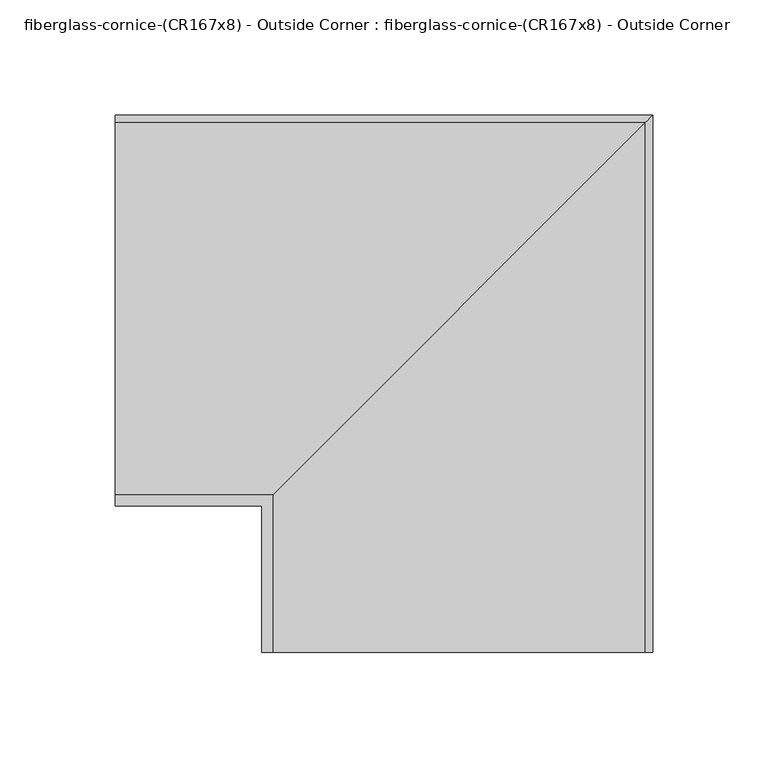
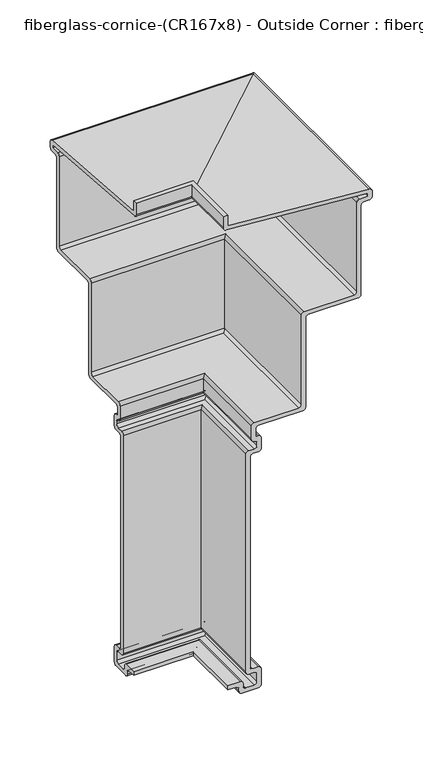
"""IFC4 building model written with IfcOpenShell, lengths in millimetres: furniture geometry, fiberglass-cornice-(CR167x8) - Outside Corner : fiberglass-cornice-(CR167x8) - Outside Corner."""

from ifc_helpers import new_model, si_unit, frame, origin, place, context, project, spatial, polyline, circle_curve, ellipse_curve, source, transform, mapped, element, save
from ifc_brep_helpers import plane_surface, cylinder_surface, revolved_surface, advanced_brep


def fiberglass_cornice_cr167x8_outside_corner_fiberglass_cornice_2ab6add9(model_context):
    return source(origin(), model_context, "Body", "AdvancedBrep", [
        advanced_brep(
        [(-196.9488213, 268.2773355, 305.0420092), (-196.9488213, 271.4625, 301.8568447), (-196.9488213, 271.4625, 295.2749904), (-196.9488213, 268.2875, 292.0999904), (-196.9488213, 261.9375, 292.0999904), (-196.9488213, 258.7625, 288.9249904), (-196.9488213, 258.7625, 180.9749904), (-196.9488213, 255.5875, 177.7999904), (-196.9488213, 198.4375, 177.7999904), (-196.9488213, 195.2625, 174.6249904), (-196.9488213, 195.2625, 66.6749904), (-196.9488213, 192.0875, 63.4999904), (-196.9488213, 141.2875, 63.4999904), (-196.9488213, 138.1125, 60.3249904), (-196.9488213, 138.1125, 50.7999904), (-196.9488213, 141.2875, 50.7999904), (-196.9488213, 144.4625, 47.6249904), (-196.9488213, 144.4625, 34.9249904), (-196.9488213, 141.2875, 31.7499904), (-196.9488213, 134.9375, 31.7499904), (-196.9488213, 131.7625, 28.5749904), (-196.9488213, 131.7625, -225.6790096), (-196.9488213, 134.9375, -228.8540096), (-196.9488213, 141.2875, -228.8540096), (-196.9488213, 144.4625, -232.0290096), (-196.9488213, 144.4625, -250.8250096), (-196.9488213, 141.2875, -254.0000096), (-196.9488213, 122.2375, -254.0000096), (-196.9488213, 119.0625, -250.8250096), (-196.9488213, 119.0625, -247.6500096), (-196.9488213, 115.8875, -244.4750096), (-196.9488213, 106.3625, -244.4750096), (-196.9488213, 106.3625, -239.7125096), (-196.9488213, 120.65, -239.7125096), (-196.9488213, 123.825, -242.8875096), (-196.9488213, 123.825, -246.0625096), (-196.9488213, 127.0, -249.2375096), (-196.9488213, 136.525, -249.2375096), (-196.9488213, 139.7, -246.0625096), (-196.9488213, 139.7, -236.5375096), (-196.9488213, 136.779, -233.6165096), (-196.9488213, 130.175, -233.6165096), (-196.9488213, 127.0, -230.4415096), (-196.9488213, 127.0, 33.3374904), (-196.9488213, 130.175, 36.5124904), (-196.9488213, 136.525, 36.5124904), (-196.9488213, 139.7, 39.6874904), (-196.9488213, 139.7, 42.8624904), (-196.9488213, 136.525, 46.0374904), (-196.9488213, 133.35, 49.2124904), (-196.9488213, 133.35, 65.0874904), (-196.9488213, 136.525, 68.2624904), (-196.9488213, 187.325, 68.2624904), (-196.9488213, 190.5, 71.4374904), (-196.9488213, 190.5, 179.3874904), (-196.9488213, 193.675, 182.5624904), (-196.9488213, 250.825, 182.5624904), (-196.9488213, 254.0, 185.7374904), (-196.9488213, 254.0, 293.6874904), (-196.9488213, 257.175, 296.8624904), (-196.9488213, 266.7, 296.8624904), (-196.9488213, 266.7, 300.3884709), (-196.9488213, 104.5347045, 312.865723), (-196.9488213, 101.6, 315.8004274), (-196.9488213, 101.6, 330.1999904), (-196.9488213, 106.3625, 330.1999904), (-196.9488213, 106.3625, 317.4999904), (33.3277329, 38.0007813, 305.0420092), (-128.5871026, 38.0007813, 317.4999904), (-128.5871026, 38.0007813, 330.1999904), (-133.3496026, 38.0007813, 330.1999904), (-133.3496026, 38.0007813, 315.8004274), (-130.4148981, 38.0007813, 312.865723), (31.7503974, 38.0007813, 300.3884709), (31.7503974, 38.0007813, 296.8624904), (22.2253974, 38.0007813, 296.8624904), (19.0503974, 38.0007813, 293.6874904), (19.0503974, 38.0007813, 185.7374904), (15.8753974, 38.0007813, 182.5624904), (-41.2746026, 38.0007813, 182.5624904), (-44.4496026, 38.0007813, 179.3874904), (-44.4496026, 38.0007813, 71.4374904), (-47.6246026, 38.0007813, 68.2624904), (-98.4246026, 38.0007813, 68.2624904), (-101.5996026, 38.0007813, 65.0874904), (-101.5996026, 38.0007813, 49.2124904), (-98.4246026, 38.0007813, 46.0374904), (-95.2496026, 38.0007813, 42.8624904), (-95.2496026, 38.0007813, 39.6874904), (-98.4246026, 38.0007813, 36.5124904), (-104.7746026, 38.0007813, 36.5124904), (-107.9496026, 38.0007813, 33.3374904), (-107.9496026, 38.0007813, -230.4415096), (-104.7746026, 38.0007813, -233.6165096), (-98.1706026, 38.0007813, -233.6165096), (-95.2496026, 38.0007813, -236.5375096), (-95.2496026, 38.0007813, -246.0625096), (-98.4246026, 38.0007813, -249.2375096), (-107.9496026, 38.0007813, -249.2375096), (-111.1246026, 38.0007813, -246.0625096), (-111.1246026, 38.0007813, -242.8875096), (-114.2996026, 38.0007813, -239.7125096), (-128.5871026, 38.0007813, -239.7125096), (-128.5871026, 38.0007813, -244.4750096), (-119.0621026, 38.0007813, -244.4750096), (-115.8871026, 38.0007813, -247.6500096), (-115.8871026, 38.0007813, -250.8250096), (-112.7121026, 38.0007813, -254.0000096), (-93.6621026, 38.0007813, -254.0000096), (-90.4871026, 38.0007813, -250.8250096), (-90.4871026, 38.0007813, -232.0290096), (-93.6621026, 38.0007813, -228.8540096), (-100.0121026, 38.0007813, -228.8540096), (-103.1871026, 38.0007813, -225.6790096), (-103.1871026, 38.0007813, 28.5749904), (-100.0121026, 38.0007813, 31.7499904), (-93.6621026, 38.0007813, 31.7499904), (-90.4871026, 38.0007813, 34.9249904), (-90.4871026, 38.0007813, 47.6249904), (-93.6621026, 38.0007813, 50.7999904), (-96.8371026, 38.0007813, 50.7999904), (-96.8371026, 38.0007813, 60.3249904), (-93.6621026, 38.0007813, 63.4999904), (-42.8621026, 38.0007813, 63.4999904), (-39.6871026, 38.0007813, 66.6749904), (-39.6871026, 38.0007813, 174.6249904), (-36.5121026, 38.0007813, 177.7999904), (20.6378974, 38.0007813, 177.7999904), (23.8128974, 38.0007813, 180.9749904), (23.8128974, 38.0007813, 288.9249904), (26.9878974, 38.0007813, 292.0999904), (33.3378974, 38.0007813, 292.0999904), (36.5128974, 38.0007813, 295.2749904), (36.5128974, 38.0007813, 301.8568447), (33.3277329, 268.2773355, 305.0420092), (36.5128974, 271.4625, 301.8568447), (36.5128974, 271.4625, 295.2749904), (33.3378974, 268.2875, 292.0999904), (26.9878974, 261.9375, 292.0999904), (23.8128974, 258.7625, 288.9249904), (23.8128974, 258.7625, 180.9749904), (20.6378974, 255.5875, 177.7999904), (-36.5121026, 198.4375, 177.7999904), (-39.6871026, 195.2625, 174.6249904), (-39.6871026, 195.2625, 66.6749904), (-42.8621026, 192.0875, 63.4999904), (-93.6621026, 141.2875, 63.4999904), (-96.8371026, 138.1125, 60.3249904), (-96.8371026, 138.1125, 50.7999904), (-93.6621026, 141.2875, 50.7999904), (-90.4871026, 144.4625, 47.6249904), (-90.4871026, 144.4625, 34.9249904), (-93.6621026, 141.2875, 31.7499904), (-100.0121026, 134.9375, 31.7499904), (-103.1871026, 131.7625, 28.5749904), (-103.1871026, 131.7625, -225.6790096), (-100.0121026, 134.9375, -228.8540096), (-93.6621026, 141.2875, -228.8540096), (-90.4871026, 144.4625, -232.0290096), (-90.4871026, 144.4625, -250.8250096), (-93.6621026, 141.2875, -254.0000096), (-112.7121026, 122.2375, -254.0000096), (-115.8871026, 119.0625, -250.8250096), (-115.8871026, 119.0625, -247.6500096), (-119.0621026, 115.8875, -244.4750096), (-128.5871026, 106.3625, -244.4750096), (-128.5871026, 106.3625, -239.7125096), (-114.2996026, 120.65, -239.7125096), (-111.1246026, 123.825, -242.8875096), (-111.1246026, 123.825, -246.0625096), (-107.9496026, 127.0, -249.2375096), (-98.4246026, 136.525, -249.2375096), (-95.2496026, 139.7, -246.0625096), (-95.2496026, 139.7, -236.5375096), (-98.1706026, 136.779, -233.6165096), (-104.7746026, 130.175, -233.6165096), (-107.9496026, 127.0, -230.4415096), (-107.9496026, 127.0, 33.3374904), (-104.7746026, 130.175, 36.5124904), (-98.4246026, 136.525, 36.5124904), (-95.2496026, 139.7, 39.6874904), (-95.2496026, 139.7, 42.8624904), (-98.4246026, 136.525, 46.0374904), (-101.5996026, 133.35, 49.2124904), (-101.5996026, 133.35, 65.0874904), (-98.4246026, 136.525, 68.2624904), (-47.6246026, 187.325, 68.2624904), (-44.4496026, 190.5, 71.4374904), (-44.4496026, 190.5, 179.3874904), (-41.2746026, 193.675, 182.5624904), (15.8753974, 250.825, 182.5624904), (19.0503974, 254.0, 185.7374904), (19.0503974, 254.0, 293.6874904), (22.2253974, 257.175, 296.8624904), (31.7503974, 266.7, 296.8624904), (31.7503974, 266.7, 300.3884709), (-130.4148981, 104.5347045, 312.865723), (-133.3496026, 101.6, 315.8004274), (-133.3496026, 101.6, 330.1999904), (-128.5871026, 106.3625, 330.1999904), (-128.5871026, 106.3625, 317.4999904)],
        [
            (0, 1, circle_curve(frame((-196.9488213, 268.2773355, 301.8568447), z_axis=(-1.0, 0.0, 0.0), x_axis=(0.0, 1.0, 0.0)), 3.1851645)),
            (1, 2),
            (2, 3, circle_curve(frame((-196.9488213, 268.2875, 295.2749904), z_axis=(-1.0, 0.0, 0.0), x_axis=(0.0, 1.0, 0.0)), 3.175)),
            (3, 4),
            (4, 5, circle_curve(frame((-196.9488213, 261.9375, 288.9249904), z_axis=(1.0, 0.0, 0.0), x_axis=(0.0, 1.0, 0.0)), 3.175)),
            (5, 6),
            (6, 7, circle_curve(frame((-196.9488213, 255.5875, 180.9749904), z_axis=(-1.0, 0.0, 0.0), x_axis=(0.0, 1.0, 0.0)), 3.175)),
            (7, 8),
            (8, 9, circle_curve(frame((-196.9488213, 198.4375, 174.6249904), z_axis=(1.0, 0.0, 0.0), x_axis=(0.0, 1.0, 0.0)), 3.175)),
            (9, 10),
            (10, 11, circle_curve(frame((-196.9488213, 192.0875, 66.6749904), z_axis=(-1.0, 0.0, 0.0), x_axis=(0.0, 1.0, 0.0)), 3.175)),
            (11, 12),
            (12, 13, circle_curve(frame((-196.9488213, 141.2875, 60.3249904), z_axis=(1.0, 0.0, 0.0), x_axis=(0.0, 1.0, 0.0)), 3.175)),
            (13, 14),
            (14, 15),
            (15, 16, circle_curve(frame((-196.9488213, 141.2875, 47.6249904), z_axis=(-1.0, 0.0, 0.0), x_axis=(0.0, 1.0, 0.0)), 3.175)),
            (16, 17),
            (17, 18, circle_curve(frame((-196.9488213, 141.2875, 34.9249904), z_axis=(-1.0, 0.0, 0.0), x_axis=(0.0, 1.0, 0.0)), 3.175)),
            (18, 19),
            (19, 20, circle_curve(frame((-196.9488213, 134.9375, 28.5749904), z_axis=(1.0, 0.0, 0.0), x_axis=(0.0, 1.0, 0.0)), 3.175)),
            (20, 21),
            (21, 22, circle_curve(frame((-196.9488213, 134.9375, -225.6790096), z_axis=(1.0, 0.0, 0.0), x_axis=(0.0, 1.0, 0.0)), 3.175)),
            (22, 23),
            (23, 24, circle_curve(frame((-196.9488213, 141.2875, -232.0290096), z_axis=(-1.0, 0.0, 0.0), x_axis=(0.0, 1.0, 0.0)), 3.175)),
            (24, 25),
            (25, 26, circle_curve(frame((-196.9488213, 141.2875, -250.8250096), z_axis=(-1.0, 0.0, 0.0), x_axis=(0.0, 1.0, 0.0)), 3.175)),
            (26, 27),
            (27, 28, circle_curve(frame((-196.9488213, 122.2375, -250.8250096), z_axis=(-1.0, 0.0, 0.0), x_axis=(0.0, 1.0, 0.0)), 3.175)),
            (28, 29),
            (29, 30, circle_curve(frame((-196.9488213, 115.8875, -247.6500096), z_axis=(1.0, 0.0, 0.0), x_axis=(0.0, 1.0, 0.0)), 3.175)),
            (30, 31),
            (31, 32),
            (32, 33),
            (33, 34, circle_curve(frame((-196.9488213, 120.65, -242.8875096), z_axis=(-1.0, 0.0, 0.0), x_axis=(0.0, 1.0, 0.0)), 3.175)),
            (34, 35),
            (35, 36, circle_curve(frame((-196.9488213, 127.0, -246.0625096), z_axis=(1.0, 0.0, 0.0), x_axis=(0.0, 1.0, 0.0)), 3.175)),
            (36, 37),
            (37, 38, circle_curve(frame((-196.9488213, 136.525, -246.0625096), z_axis=(1.0, 0.0, 0.0), x_axis=(0.0, 1.0, 0.0)), 3.175)),
            (38, 39),
            (39, 40, circle_curve(frame((-196.9488213, 136.779, -236.5375096), z_axis=(1.0, 0.0, 0.0), x_axis=(0.0, 1.0, 0.0)), 2.921)),
            (40, 41),
            (41, 42, circle_curve(frame((-196.9488213, 130.175, -230.4415096), z_axis=(-1.0, 0.0, 0.0), x_axis=(0.0, 1.0, 0.0)), 3.175)),
            (42, 43),
            (43, 44, circle_curve(frame((-196.9488213, 130.175, 33.3374904), z_axis=(-1.0, 0.0, 0.0), x_axis=(0.0, 1.0, 0.0)), 3.175)),
            (44, 45),
            (45, 46, circle_curve(frame((-196.9488213, 136.525, 39.6874904), z_axis=(1.0, 0.0, 0.0), x_axis=(0.0, 1.0, 0.0)), 3.175)),
            (46, 47),
            (47, 48, circle_curve(frame((-196.9488213, 136.525, 42.8624904), z_axis=(1.0, 0.0, 0.0), x_axis=(0.0, 1.0, 0.0)), 3.175)),
            (48, 49, circle_curve(frame((-196.9488213, 136.525, 49.2124904), z_axis=(-1.0, 0.0, 0.0), x_axis=(0.0, 1.0, 0.0)), 3.175)),
            (49, 50),
            (50, 51, circle_curve(frame((-196.9488213, 136.525, 65.0874904), z_axis=(-1.0, 0.0, 0.0), x_axis=(0.0, 1.0, 0.0)), 3.175)),
            (51, 52),
            (52, 53, circle_curve(frame((-196.9488213, 187.325, 71.4374904), z_axis=(1.0, 0.0, 0.0), x_axis=(0.0, 1.0, 0.0)), 3.175)),
            (53, 54),
            (54, 55, circle_curve(frame((-196.9488213, 193.675, 179.3874904), z_axis=(-1.0, 0.0, 0.0), x_axis=(0.0, 1.0, 0.0)), 3.175)),
            (55, 56),
            (56, 57, circle_curve(frame((-196.9488213, 250.825, 185.7374904), z_axis=(1.0, 0.0, 0.0), x_axis=(0.0, 1.0, 0.0)), 3.175)),
            (57, 58),
            (58, 59, circle_curve(frame((-196.9488213, 257.175, 293.6874904), z_axis=(-1.0, 0.0, 0.0), x_axis=(0.0, 1.0, 0.0)), 3.175)),
            (59, 60),
            (60, 61),
            (61, 62),
            (62, 63, circle_curve(frame((-196.9488213, 104.5347045, 315.8004274), z_axis=(-1.0, 0.0, 0.0), x_axis=(0.0, 1.0, 0.0)), 2.9347045)),
            (63, 64),
            (64, 65),
            (65, 66),
            (66, 0),
            (67, 68),
            (68, 69),
            (69, 70),
            (70, 71),
            (71, 72, circle_curve(frame((-130.4148981, 38.0007813, 315.8004274), z_axis=(0.0, -1.0, 0.0), x_axis=(1.0, 0.0, 0.0)), 2.9347045)),
            (72, 73),
            (73, 74),
            (74, 75),
            (75, 76, circle_curve(frame((22.2253974, 38.0007813, 293.6874904), z_axis=(0.0, -1.0, 0.0), x_axis=(1.0, 0.0, 0.0)), 3.175)),
            (76, 77),
            (77, 78, circle_curve(frame((15.8753974, 38.0007813, 185.7374904), z_axis=(0.0, 1.0, 0.0), x_axis=(1.0, 0.0, 0.0)), 3.175)),
            (78, 79),
            (79, 80, circle_curve(frame((-41.2746026, 38.0007813, 179.3874904), z_axis=(0.0, -1.0, 0.0), x_axis=(1.0, 0.0, 0.0)), 3.175)),
            (80, 81),
            (81, 82, circle_curve(frame((-47.6246026, 38.0007813, 71.4374904), z_axis=(0.0, 1.0, 0.0), x_axis=(1.0, 0.0, 0.0)), 3.175)),
            (82, 83),
            (83, 84, circle_curve(frame((-98.4246026, 38.0007813, 65.0874904), z_axis=(0.0, -1.0, 0.0), x_axis=(1.0, 0.0, 0.0)), 3.175)),
            (84, 85),
            (85, 86, circle_curve(frame((-98.4246026, 38.0007813, 49.2124904), z_axis=(0.0, -1.0, 0.0), x_axis=(1.0, 0.0, 0.0)), 3.175)),
            (86, 87, circle_curve(frame((-98.4246026, 38.0007813, 42.8624904), z_axis=(0.0, 1.0, 0.0), x_axis=(1.0, 0.0, 0.0)), 3.175)),
            (87, 88),
            (88, 89, circle_curve(frame((-98.4246026, 38.0007813, 39.6874904), z_axis=(0.0, 1.0, 0.0), x_axis=(1.0, 0.0, 0.0)), 3.175)),
            (89, 90),
            (90, 91, circle_curve(frame((-104.7746026, 38.0007813, 33.3374904), z_axis=(0.0, -1.0, 0.0), x_axis=(1.0, 0.0, 0.0)), 3.175)),
            (91, 92),
            (92, 93, circle_curve(frame((-104.7746026, 38.0007813, -230.4415096), z_axis=(0.0, -1.0, 0.0), x_axis=(1.0, 0.0, 0.0)), 3.175)),
            (93, 94),
            (94, 95, circle_curve(frame((-98.1706026, 38.0007813, -236.5375096), z_axis=(0.0, 1.0, 0.0), x_axis=(1.0, 0.0, 0.0)), 2.921)),
            (95, 96),
            (96, 97, circle_curve(frame((-98.4246026, 38.0007813, -246.0625096), z_axis=(0.0, 1.0, 0.0), x_axis=(1.0, 0.0, 0.0)), 3.175)),
            (97, 98),
            (98, 99, circle_curve(frame((-107.9496026, 38.0007813, -246.0625096), z_axis=(0.0, 1.0, 0.0), x_axis=(1.0, 0.0, 0.0)), 3.175)),
            (99, 100),
            (100, 101, circle_curve(frame((-114.2996026, 38.0007813, -242.8875096), z_axis=(0.0, -1.0, 0.0), x_axis=(1.0, 0.0, 0.0)), 3.175)),
            (101, 102),
            (102, 103),
            (103, 104),
            (104, 105, circle_curve(frame((-119.0621026, 38.0007813, -247.6500096), z_axis=(0.0, 1.0, 0.0), x_axis=(1.0, 0.0, 0.0)), 3.175)),
            (105, 106),
            (106, 107, circle_curve(frame((-112.7121026, 38.0007813, -250.8250096), z_axis=(0.0, -1.0, 0.0), x_axis=(1.0, 0.0, 0.0)), 3.175)),
            (107, 108),
            (108, 109, circle_curve(frame((-93.6621026, 38.0007813, -250.8250096), z_axis=(0.0, -1.0, 0.0), x_axis=(1.0, 0.0, 0.0)), 3.175)),
            (109, 110),
            (110, 111, circle_curve(frame((-93.6621026, 38.0007813, -232.0290096), z_axis=(0.0, -1.0, 0.0), x_axis=(1.0, 0.0, 0.0)), 3.175)),
            (111, 112),
            (112, 113, circle_curve(frame((-100.0121026, 38.0007813, -225.6790096), z_axis=(0.0, 1.0, 0.0), x_axis=(1.0, 0.0, 0.0)), 3.175)),
            (113, 114),
            (114, 115, circle_curve(frame((-100.0121026, 38.0007813, 28.5749904), z_axis=(0.0, 1.0, 0.0), x_axis=(1.0, 0.0, 0.0)), 3.175)),
            (115, 116),
            (116, 117, circle_curve(frame((-93.6621026, 38.0007813, 34.9249904), z_axis=(0.0, -1.0, 0.0), x_axis=(1.0, 0.0, 0.0)), 3.175)),
            (117, 118),
            (118, 119, circle_curve(frame((-93.6621026, 38.0007813, 47.6249904), z_axis=(0.0, -1.0, 0.0), x_axis=(1.0, 0.0, 0.0)), 3.175)),
            (119, 120),
            (120, 121),
            (121, 122, circle_curve(frame((-93.6621026, 38.0007813, 60.3249904), z_axis=(0.0, 1.0, 0.0), x_axis=(1.0, 0.0, 0.0)), 3.175)),
            (122, 123),
            (123, 124, circle_curve(frame((-42.8621026, 38.0007813, 66.6749904), z_axis=(0.0, -1.0, 0.0), x_axis=(1.0, 0.0, 0.0)), 3.175)),
            (124, 125),
            (125, 126, circle_curve(frame((-36.5121026, 38.0007813, 174.6249904), z_axis=(0.0, 1.0, 0.0), x_axis=(1.0, 0.0, 0.0)), 3.175)),
            (126, 127),
            (127, 128, circle_curve(frame((20.6378974, 38.0007813, 180.9749904), z_axis=(0.0, -1.0, 0.0), x_axis=(1.0, 0.0, 0.0)), 3.175)),
            (128, 129),
            (129, 130, circle_curve(frame((26.9878974, 38.0007813, 288.9249904), z_axis=(0.0, 1.0, 0.0), x_axis=(1.0, 0.0, 0.0)), 3.175)),
            (130, 131),
            (131, 132, circle_curve(frame((33.3378974, 38.0007813, 295.2749904), z_axis=(0.0, -1.0, 0.0), x_axis=(1.0, 0.0, 0.0)), 3.175)),
            (132, 133),
            (133, 67, circle_curve(frame((33.3277329, 38.0007813, 301.8568447), z_axis=(0.0, -1.0, 0.0), x_axis=(1.0, 0.0, 0.0)), 3.1851645)),
            (0, 134),
            (134, 135, ellipse_curve(frame((33.3277329, 268.2773355, 301.8568447), z_axis=(-0.7071067811865563, 0.7071067811865387, 0.0), x_axis=(-0.7071067811865387, -0.7071067811865565, 0.0)), 4.5045028, 3.1851645)),
            (135, 1),
            (135, 136),
            (136, 2),
            (136, 137, ellipse_curve(frame((33.3378974, 268.2875, 295.2749904), z_axis=(-0.7071067811865563, 0.7071067811865387, 0.0), x_axis=(-0.7071067811865387, -0.7071067811865565, 0.0)), 4.4901281, 3.175)),
            (137, 3),
            (137, 131),
            (130, 138),
            (138, 4),
            (138, 139, ellipse_curve(frame((26.9878974, 261.9375, 288.9249904), z_axis=(0.7071067811865563, -0.7071067811865387, 0.0), x_axis=(0.7071067811865387, 0.7071067811865565, 0.0)), 4.4901281, 3.175)),
            (139, 5),
            (139, 140),
            (140, 6),
            (140, 141, ellipse_curve(frame((20.6378974, 255.5875, 180.9749904), z_axis=(-0.7071067811865563, 0.7071067811865387, 0.0), x_axis=(-0.7071067811865387, -0.7071067811865565, 0.0)), 4.4901281, 3.175)),
            (141, 7),
            (141, 127),
            (126, 142),
            (142, 8),
            (142, 143, ellipse_curve(frame((-36.5121026, 198.4375, 174.6249904), z_axis=(0.7071067811865563, -0.7071067811865387, 0.0), x_axis=(0.7071067811865387, 0.7071067811865565, 0.0)), 4.4901281, 3.175)),
            (143, 9),
            (143, 144),
            (144, 10),
            (144, 145, ellipse_curve(frame((-42.8621026, 192.0875, 66.6749904), z_axis=(-0.7071067811865563, 0.7071067811865387, 0.0), x_axis=(-0.7071067811865387, -0.7071067811865565, 0.0)), 4.4901281, 3.175)),
            (145, 11),
            (145, 123),
            (122, 146),
            (146, 12),
            (146, 147, ellipse_curve(frame((-93.6621026, 141.2875, 60.3249904), z_axis=(0.7071067811865563, -0.7071067811865387, 0.0), x_axis=(0.7071067811865387, 0.7071067811865565, 0.0)), 4.4901281, 3.175)),
            (147, 13),
            (147, 148),
            (148, 14),
            (148, 120),
            (119, 149),
            (149, 15),
            (149, 150, ellipse_curve(frame((-93.6621026, 141.2875, 47.6249904), z_axis=(-0.7071067811865563, 0.7071067811865387, 0.0), x_axis=(-0.7071067811865387, -0.7071067811865565, 0.0)), 4.4901281, 3.175)),
            (150, 16),
            (150, 151),
            (151, 17),
            (151, 152, ellipse_curve(frame((-93.6621026, 141.2875, 34.9249904), z_axis=(-0.7071067811865563, 0.7071067811865387, 0.0), x_axis=(-0.7071067811865387, -0.7071067811865565, 0.0)), 4.4901281, 3.175)),
            (152, 18),
            (152, 116),
            (115, 153),
            (153, 19),
            (153, 154, ellipse_curve(frame((-100.0121026, 134.9375, 28.5749904), z_axis=(0.7071067811865563, -0.7071067811865387, 0.0), x_axis=(0.7071067811865387, 0.7071067811865565, 0.0)), 4.4901281, 3.175)),
            (154, 20),
            (154, 155),
            (155, 21),
            (155, 156, ellipse_curve(frame((-100.0121026, 134.9375, -225.6790096), z_axis=(0.7071067811865563, -0.7071067811865387, 0.0), x_axis=(0.7071067811865387, 0.7071067811865565, 0.0)), 4.4901281, 3.175)),
            (156, 22),
            (156, 112),
            (111, 157),
            (157, 23),
            (157, 158, ellipse_curve(frame((-93.6621026, 141.2875, -232.0290096), z_axis=(-0.7071067811865563, 0.7071067811865387, 0.0), x_axis=(-0.7071067811865387, -0.7071067811865565, 0.0)), 4.4901281, 3.175)),
            (158, 24),
            (158, 159),
            (159, 25),
            (159, 160, ellipse_curve(frame((-93.6621026, 141.2875, -250.8250096), z_axis=(-0.7071067811865563, 0.7071067811865387, 0.0), x_axis=(-0.7071067811865387, -0.7071067811865565, 0.0)), 4.4901281, 3.175)),
            (160, 26),
            (160, 108),
            (107, 161),
            (161, 27),
            (161, 162, ellipse_curve(frame((-112.7121026, 122.2375, -250.8250096), z_axis=(-0.7071067811865563, 0.7071067811865387, 0.0), x_axis=(-0.7071067811865387, -0.7071067811865565, 0.0)), 4.4901281, 3.175)),
            (162, 28),
            (162, 163),
            (163, 29),
            (163, 164, ellipse_curve(frame((-119.0621026, 115.8875, -247.6500096), z_axis=(0.7071067811865563, -0.7071067811865387, 0.0), x_axis=(0.7071067811865387, 0.7071067811865565, 0.0)), 4.4901281, 3.175)),
            (164, 30),
            (164, 104),
            (103, 165),
            (165, 31),
            (165, 166),
            (166, 32),
            (166, 102),
            (101, 167),
            (167, 33),
            (167, 168, ellipse_curve(frame((-114.2996026, 120.65, -242.8875096), z_axis=(-0.7071067811865563, 0.7071067811865387, 0.0), x_axis=(-0.7071067811865387, -0.7071067811865565, 0.0)), 4.4901281, 3.175)),
            (168, 34),
            (168, 169),
            (169, 35),
            (169, 170, ellipse_curve(frame((-107.9496026, 127.0, -246.0625096), z_axis=(0.7071067811865563, -0.7071067811865387, 0.0), x_axis=(0.7071067811865387, 0.7071067811865565, 0.0)), 4.4901281, 3.175)),
            (170, 36),
            (170, 98),
            (97, 171),
            (171, 37),
            (171, 172, ellipse_curve(frame((-98.4246026, 136.525, -246.0625096), z_axis=(0.7071067811865563, -0.7071067811865387, 0.0), x_axis=(0.7071067811865387, 0.7071067811865565, 0.0)), 4.4901281, 3.175)),
            (172, 38),
            (172, 173),
            (173, 39),
            (173, 174, ellipse_curve(frame((-98.1706026, 136.779, -236.5375096), z_axis=(0.7071067811865563, -0.7071067811865387, 0.0), x_axis=(0.7071067811865387, 0.7071067811865565, 0.0)), 4.1309178, 2.921)),
            (174, 40),
            (174, 94),
            (93, 175),
            (175, 41),
            (175, 176, ellipse_curve(frame((-104.7746026, 130.175, -230.4415096), z_axis=(-0.7071067811865563, 0.7071067811865387, 0.0), x_axis=(-0.7071067811865387, -0.7071067811865565, 0.0)), 4.4901281, 3.175)),
            (176, 42),
            (176, 177),
            (177, 43),
            (177, 178, ellipse_curve(frame((-104.7746026, 130.175, 33.3374904), z_axis=(-0.7071067811865563, 0.7071067811865387, 0.0), x_axis=(-0.7071067811865387, -0.7071067811865565, 0.0)), 4.4901281, 3.175)),
            (178, 44),
            (178, 90),
            (89, 179),
            (179, 45),
            (179, 180, ellipse_curve(frame((-98.4246026, 136.525, 39.6874904), z_axis=(0.7071067811865563, -0.7071067811865387, 0.0), x_axis=(0.7071067811865387, 0.7071067811865565, 0.0)), 4.4901281, 3.175)),
            (180, 46),
            (180, 181),
            (181, 47),
            (181, 182, ellipse_curve(frame((-98.4246026, 136.525, 42.8624904), z_axis=(0.7071067811865563, -0.7071067811865387, 0.0), x_axis=(0.7071067811865387, 0.7071067811865565, 0.0)), 4.4901281, 3.175)),
            (182, 48),
            (182, 183, ellipse_curve(frame((-98.4246026, 136.525, 49.2124904), z_axis=(-0.7071067811865563, 0.7071067811865387, 0.0), x_axis=(-0.7071067811865387, -0.7071067811865565, 0.0)), 4.4901281, 3.175)),
            (183, 49),
            (183, 184),
            (184, 50),
            (184, 185, ellipse_curve(frame((-98.4246026, 136.525, 65.0874904), z_axis=(-0.7071067811865563, 0.7071067811865387, 0.0), x_axis=(-0.7071067811865387, -0.7071067811865565, 0.0)), 4.4901281, 3.175)),
            (185, 51),
            (185, 83),
            (82, 186),
            (186, 52),
            (186, 187, ellipse_curve(frame((-47.6246026, 187.325, 71.4374904), z_axis=(0.7071067811865563, -0.7071067811865387, 0.0), x_axis=(0.7071067811865387, 0.7071067811865565, 0.0)), 4.4901281, 3.175)),
            (187, 53),
            (187, 188),
            (188, 54),
            (188, 189, ellipse_curve(frame((-41.2746026, 193.675, 179.3874904), z_axis=(-0.7071067811865563, 0.7071067811865387, 0.0), x_axis=(-0.7071067811865387, -0.7071067811865565, 0.0)), 4.4901281, 3.175)),
            (189, 55),
            (189, 79),
            (78, 190),
            (190, 56),
            (190, 191, ellipse_curve(frame((15.8753974, 250.825, 185.7374904), z_axis=(0.7071067811865563, -0.7071067811865387, 0.0), x_axis=(0.7071067811865387, 0.7071067811865565, 0.0)), 4.4901281, 3.175)),
            (191, 57),
            (191, 192),
            (192, 58),
            (192, 193, ellipse_curve(frame((22.2253974, 257.175, 293.6874904), z_axis=(-0.7071067811865563, 0.7071067811865387, 0.0), x_axis=(-0.7071067811865387, -0.7071067811865565, 0.0)), 4.4901281, 3.175)),
            (193, 59),
            (193, 75),
            (74, 194),
            (194, 60),
            (194, 195),
            (195, 61),
            (195, 196),
            (196, 62),
            (196, 197, ellipse_curve(frame((-130.4148981, 104.5347045, 315.8004274), z_axis=(-0.7071067811865563, 0.7071067811865387, 0.0), x_axis=(-0.7071067811865387, -0.7071067811865565, 0.0)), 4.1502989, 2.9347045)),
            (197, 63),
            (197, 198),
            (198, 64),
            (198, 70),
            (69, 199),
            (199, 65),
            (199, 200),
            (200, 66),
            (200, 134),
            (134, 67),
            (133, 135),
            (132, 136),
            (129, 139),
            (128, 140),
            (125, 143),
            (124, 144),
            (121, 147),
            (118, 150),
            (117, 151),
            (114, 154),
            (113, 155),
            (110, 158),
            (109, 159),
            (106, 162),
            (105, 163),
            (100, 168),
            (99, 169),
            (96, 172),
            (95, 173),
            (92, 176),
            (91, 177),
            (88, 180),
            (87, 181),
            (86, 182),
            (85, 183),
            (84, 184),
            (81, 187),
            (80, 188),
            (77, 191),
            (76, 192),
            (73, 195),
            (72, 196),
            (71, 197),
            (68, 200),
        ],
        [
            plane_surface(frame((-196.9488213, 101.6, 330.1999904), z_axis=(-1.0, 0.0, 0.0), x_axis=(0.0, 0.0, 1.0))),
            plane_surface(frame((-133.3496026, 38.0007813, 330.1999904), z_axis=(0.0, -1.0, 0.0), x_axis=(0.0, 0.0, 1.0))),
            cylinder_surface(frame((-196.9488213, 268.2773355, 301.8568447), z_axis=(-1.0, 0.0, 0.0), x_axis=(0.0, 1.0, 0.0)), 3.1851645),
            plane_surface(frame((-196.9488213, 271.4625, 301.8568447), z_axis=(0.0, 1.0, 0.0), x_axis=(1.0, 0.0, 0.0))),
            cylinder_surface(frame((-196.9488213, 268.2875, 295.2749904), z_axis=(-1.0, 0.0, 0.0), x_axis=(0.0, 1.0, 0.0)), 3.175),
            plane_surface(frame((-196.9488213, 268.2875, 292.0999904), z_axis=(0.0, 0.0, -1.0), x_axis=(1.0, 0.0, 0.0))),
            revolved_surface(polyline([(30.162897427906245, 265.1125, 288.9249904), (-196.9488213, 265.1125, 288.9249904)]), (-196.9488213, 261.9375, 288.9249904), (1.0, 0.0, 0.0)),
            plane_surface(frame((-196.9488213, 258.7625, 288.9249904), z_axis=(0.0, 1.0, 0.0), x_axis=(1.0, 0.0, 0.0))),
            cylinder_surface(frame((-196.9488213, 255.5875, 180.9749904), z_axis=(-1.0, 0.0, 0.0), x_axis=(0.0, 1.0, 0.0)), 3.175),
            plane_surface(frame((-196.9488213, 255.5875, 177.7999904), z_axis=(0.0, 0.0, -1.0), x_axis=(1.0, 0.0, 0.0))),
            revolved_surface(polyline([(-33.337102572093755, 201.6125, 174.6249904), (-196.9488213, 201.6125, 174.6249904)]), (-196.9488213, 198.4375, 174.6249904), (1.0, 0.0, 0.0)),
            plane_surface(frame((-196.9488213, 195.2625, 174.6249904), z_axis=(0.0, 1.0, 0.0), x_axis=(1.0, 0.0, 0.0))),
            cylinder_surface(frame((-196.9488213, 192.0875, 66.6749904), z_axis=(-1.0, 0.0, 0.0), x_axis=(0.0, 1.0, 0.0)), 3.175),
            plane_surface(frame((-196.9488213, 192.0875, 63.4999904), z_axis=(0.0, 0.0, -1.0), x_axis=(1.0, 0.0, 0.0))),
            revolved_surface(polyline([(-90.48710257209378, 144.4625, 60.3249904), (-196.9488213, 144.4625, 60.3249904)]), (-196.9488213, 141.2875, 60.3249904), (1.0, 0.0, 0.0)),
            plane_surface(frame((-196.9488213, 138.1125, 60.3249904), z_axis=(0.0, 1.0, 0.0), x_axis=(1.0, 0.0, 0.0))),
            plane_surface(frame((-196.9488213, 138.1125, 50.7999904), z_axis=(0.0, 0.0, 1.0), x_axis=(1.0, 0.0, 0.0))),
            cylinder_surface(frame((-196.9488213, 141.2875, 47.6249904), z_axis=(-1.0, 0.0, 0.0), x_axis=(0.0, 1.0, 0.0)), 3.175),
            plane_surface(frame((-196.9488213, 144.4625, 47.6249904), z_axis=(0.0, 1.0, 0.0), x_axis=(1.0, 0.0, 0.0))),
            cylinder_surface(frame((-196.9488213, 141.2875, 34.9249904), z_axis=(-1.0, 0.0, 0.0), x_axis=(0.0, 1.0, 0.0)), 3.175),
            plane_surface(frame((-196.9488213, 141.2875, 31.7499904), z_axis=(0.0, 0.0, -1.0), x_axis=(1.0, 0.0, 0.0))),
            revolved_surface(polyline([(-96.83710257209378, 138.1125, 28.5749904), (-196.9488213, 138.1125, 28.5749904)]), (-196.9488213, 134.9375, 28.5749904), (1.0, 0.0, 0.0)),
            plane_surface(frame((-196.9488213, 131.7625, 28.5749904), z_axis=(0.0, 1.0, 0.0), x_axis=(1.0, 0.0, 0.0))),
            revolved_surface(polyline([(-96.83710257209378, 138.1125, -225.6790096), (-196.9488213, 138.1125, -225.6790096)]), (-196.9488213, 134.9375, -225.6790096), (1.0, 0.0, 0.0)),
            plane_surface(frame((-196.9488213, 134.9375, -228.8540096), z_axis=(0.0, 0.0, 1.0), x_axis=(1.0, 0.0, 0.0))),
            cylinder_surface(frame((-196.9488213, 141.2875, -232.0290096), z_axis=(-1.0, 0.0, 0.0), x_axis=(0.0, 1.0, 0.0)), 3.175),
            plane_surface(frame((-196.9488213, 144.4625, -232.0290096), z_axis=(0.0, 1.0, 0.0), x_axis=(1.0, 0.0, 0.0))),
            cylinder_surface(frame((-196.9488213, 141.2875, -250.8250096), z_axis=(-1.0, 0.0, 0.0), x_axis=(0.0, 1.0, 0.0)), 3.175),
            plane_surface(frame((-196.9488213, 141.2875, -254.0000096), z_axis=(0.0, 0.0, -1.0), x_axis=(1.0, 0.0, 0.0))),
            cylinder_surface(frame((-196.9488213, 122.2375, -250.8250096), z_axis=(-1.0, 0.0, 0.0), x_axis=(0.0, 1.0, 0.0)), 3.175),
            plane_surface(frame((-196.9488213, 119.0625, -250.8250096), z_axis=(0.0, -1.0, 0.0), x_axis=(1.0, 0.0, 0.0))),
            revolved_surface(polyline([(-115.88710257209378, 119.0625, -247.6500096), (-196.9488213, 119.0625, -247.6500096)]), (-196.9488213, 115.8875, -247.6500096), (1.0, 0.0, 0.0)),
            plane_surface(frame((-196.9488213, 115.8875, -244.4750096), z_axis=(0.0, 0.0, -1.0), x_axis=(1.0, 0.0, 0.0))),
            plane_surface(frame((-196.9488213, 106.3625, -244.4750096), z_axis=(0.0, -1.0, 0.0), x_axis=(1.0, 0.0, 0.0))),
            plane_surface(frame((-196.9488213, 106.3625, -239.7125096), z_axis=(0.0, 0.0, 1.0), x_axis=(1.0, 0.0, 0.0))),
            cylinder_surface(frame((-196.9488213, 120.65, -242.8875096), z_axis=(-1.0, 0.0, 0.0), x_axis=(0.0, 1.0, 0.0)), 3.175),
            plane_surface(frame((-196.9488213, 123.825, -242.8875096), z_axis=(0.0, 1.0, 0.0), x_axis=(1.0, 0.0, 0.0))),
            revolved_surface(polyline([(-104.77460257209378, 130.175, -246.0625096), (-196.9488213, 130.175, -246.0625096)]), (-196.9488213, 127.0, -246.0625096), (1.0, 0.0, 0.0)),
            plane_surface(frame((-196.9488213, 127.0, -249.2375096), z_axis=(0.0, 0.0, 1.0), x_axis=(1.0, 0.0, 0.0))),
            revolved_surface(polyline([(-95.24960257209378, 139.70000000000002, -246.0625096), (-196.9488213, 139.70000000000002, -246.0625096)]), (-196.9488213, 136.525, -246.0625096), (1.0, 0.0, 0.0)),
            plane_surface(frame((-196.9488213, 139.7, -246.0625096), z_axis=(0.0, -1.0, 0.0), x_axis=(1.0, 0.0, 0.0))),
            revolved_surface(polyline([(-95.2496026, 139.7, -236.5375096), (-196.9488213, 139.7, -236.5375096)]), (-196.9488213, 136.779, -236.5375096), (1.0, 0.0, 0.0)),
            plane_surface(frame((-196.9488213, 136.779, -233.6165096), z_axis=(0.0, 0.0, -1.0), x_axis=(1.0, 0.0, 0.0))),
            cylinder_surface(frame((-196.9488213, 130.175, -230.4415096), z_axis=(-1.0, 0.0, 0.0), x_axis=(0.0, 1.0, 0.0)), 3.175),
            plane_surface(frame((-196.9488213, 127.0, -230.4415096), z_axis=(0.0, -1.0, 0.0), x_axis=(1.0, 0.0, 0.0))),
            cylinder_surface(frame((-196.9488213, 130.175, 33.3374904), z_axis=(-1.0, 0.0, 0.0), x_axis=(0.0, 1.0, 0.0)), 3.175),
            plane_surface(frame((-196.9488213, 130.175, 36.5124904), z_axis=(0.0, 0.0, 1.0), x_axis=(1.0, 0.0, 0.0))),
            revolved_surface(polyline([(-95.24960257209378, 139.70000000000002, 39.6874904), (-196.9488213, 139.70000000000002, 39.6874904)]), (-196.9488213, 136.525, 39.6874904), (1.0, 0.0, 0.0)),
            plane_surface(frame((-196.9488213, 139.7, 39.6874904), z_axis=(0.0, -1.0, 0.0), x_axis=(1.0, 0.0, 0.0))),
            revolved_surface(polyline([(-95.24960257209378, 139.70000000000002, 42.8624904), (-196.9488213, 139.70000000000002, 42.8624904)]), (-196.9488213, 136.525, 42.8624904), (1.0, 0.0, 0.0)),
            cylinder_surface(frame((-196.9488213, 136.525, 49.2124904), z_axis=(-1.0, 0.0, 0.0), x_axis=(0.0, 1.0, 0.0)), 3.175),
            plane_surface(frame((-196.9488213, 133.35, 49.2124904), z_axis=(0.0, -1.0, 0.0), x_axis=(1.0, 0.0, 0.0))),
            cylinder_surface(frame((-196.9488213, 136.525, 65.0874904), z_axis=(-1.0, 0.0, 0.0), x_axis=(0.0, 1.0, 0.0)), 3.175),
            plane_surface(frame((-196.9488213, 136.525, 68.2624904), z_axis=(0.0, 0.0, 1.0), x_axis=(1.0, 0.0, 0.0))),
            revolved_surface(polyline([(-44.44960257209377, 190.5, 71.4374904), (-196.9488213, 190.5, 71.4374904)]), (-196.9488213, 187.325, 71.4374904), (1.0, 0.0, 0.0)),
            plane_surface(frame((-196.9488213, 190.5, 71.4374904), z_axis=(0.0, -1.0, 0.0), x_axis=(1.0, 0.0, 0.0))),
            cylinder_surface(frame((-196.9488213, 193.675, 179.3874904), z_axis=(-1.0, 0.0, 0.0), x_axis=(0.0, 1.0, 0.0)), 3.175),
            plane_surface(frame((-196.9488213, 193.675, 182.5624904), z_axis=(0.0, 0.0, 1.0), x_axis=(1.0, 0.0, 0.0))),
            revolved_surface(polyline([(19.050397427906233, 254.0, 185.7374904), (-196.9488213, 254.0, 185.7374904)]), (-196.9488213, 250.825, 185.7374904), (1.0, 0.0, 0.0)),
            plane_surface(frame((-196.9488213, 254.0, 185.7374904), z_axis=(0.0, -1.0, 0.0), x_axis=(1.0, 0.0, 0.0))),
            cylinder_surface(frame((-196.9488213, 257.175, 293.6874904), z_axis=(-1.0, 0.0, 0.0), x_axis=(0.0, 1.0, 0.0)), 3.175),
            plane_surface(frame((-196.9488213, 257.175, 296.8624904), z_axis=(0.0, 0.0, 1.0), x_axis=(1.0, 0.0, 0.0))),
            plane_surface(frame((-196.9488213, 266.7, 296.8624904), z_axis=(0.0, -1.0, 0.0), x_axis=(1.0, 0.0, 0.0))),
            plane_surface(frame((-196.9488213, 266.7, 300.3884709), z_axis=(0.0, -0.07671482651357647, -0.9970530755145345), x_axis=(1.0, 0.0, 0.0))),
            cylinder_surface(frame((-196.9488213, 104.5347045, 315.8004274), z_axis=(-1.0, 0.0, 0.0), x_axis=(0.0, 1.0, 0.0)), 2.9347045),
            plane_surface(frame((-196.9488213, 101.6, 315.8004274), z_axis=(0.0, -1.0, 0.0), x_axis=(1.0, 0.0, 0.0))),
            plane_surface(frame((-196.9488213, 101.6, 330.1999904), z_axis=(0.0, 0.0, 1.0), x_axis=(1.0, 0.0, 0.0))),
            plane_surface(frame((-196.9488213, 106.3625, 330.1999904), z_axis=(0.0, 1.0, 0.0), x_axis=(1.0, 0.0, 0.0))),
            plane_surface(frame((-196.9488213, 106.3625, 317.4999904), z_axis=(0.0, 0.07671482651354668, 0.9970530755145367), x_axis=(1.0, 0.0, 0.0))),
            cylinder_surface(frame((33.3277329, 101.6, 301.8568447), z_axis=(0.0, 1.0, 0.0), x_axis=(1.0, 0.0, 0.0)), 3.1851645),
            plane_surface(frame((36.5128974, 271.4625, 301.8568447), z_axis=(1.0, 0.0, 0.0), x_axis=(0.0, -1.0, 0.0))),
            cylinder_surface(frame((33.3378974, 101.6, 295.2749904), z_axis=(0.0, 1.0, 0.0), x_axis=(1.0, 0.0, 0.0)), 3.175),
            revolved_surface(polyline([(30.162897400000002, 38.0007813, 288.9249904), (30.162897400000002, 265.1125000279063, 288.9249904)]), (26.9878974, 101.6, 288.9249904), (0.0, -1.0, 0.0)),
            plane_surface(frame((23.8128974, 258.7625, 288.9249904), z_axis=(1.0, 0.0, 0.0), x_axis=(0.0, -1.0, 0.0))),
            cylinder_surface(frame((20.6378974, 101.6, 180.9749904), z_axis=(0.0, 1.0, 0.0), x_axis=(1.0, 0.0, 0.0)), 3.175),
            revolved_surface(polyline([(-33.3371026, 38.0007813, 174.6249904), (-33.3371026, 201.61250002790632, 174.6249904)]), (-36.5121026, 101.6, 174.6249904), (0.0, -1.0, 0.0)),
            plane_surface(frame((-39.6871026, 195.2625, 174.6249904), z_axis=(1.0, 0.0, 0.0), x_axis=(0.0, -1.0, 0.0))),
            cylinder_surface(frame((-42.8621026, 101.6, 66.6749904), z_axis=(0.0, 1.0, 0.0), x_axis=(1.0, 0.0, 0.0)), 3.175),
            revolved_surface(polyline([(-90.4871026, 38.0007813, 60.3249904), (-90.4871026, 144.4625000279063, 60.3249904)]), (-93.6621026, 101.6, 60.3249904), (0.0, -1.0, 0.0)),
            plane_surface(frame((-96.8371026, 138.1125, 60.3249904), z_axis=(1.0, 0.0, 0.0), x_axis=(0.0, -1.0, 0.0))),
            cylinder_surface(frame((-93.6621026, 101.6, 47.6249904), z_axis=(0.0, 1.0, 0.0), x_axis=(1.0, 0.0, 0.0)), 3.175),
            plane_surface(frame((-90.4871026, 144.4625, 47.6249904), z_axis=(1.0, 0.0, 0.0), x_axis=(0.0, -1.0, 0.0))),
            cylinder_surface(frame((-93.6621026, 101.6, 34.9249904), z_axis=(0.0, 1.0, 0.0), x_axis=(1.0, 0.0, 0.0)), 3.175),
            revolved_surface(polyline([(-96.83710260000001, 38.0007813, 28.5749904), (-96.83710260000001, 138.11250002790632, 28.5749904)]), (-100.0121026, 101.6, 28.5749904), (0.0, -1.0, 0.0)),
            plane_surface(frame((-103.1871026, 131.7625, 28.5749904), z_axis=(1.0, 0.0, 0.0), x_axis=(0.0, -1.0, 0.0))),
            revolved_surface(polyline([(-96.83710260000001, 38.0007813, -225.6790096), (-96.83710260000001, 138.11250002790632, -225.6790096)]), (-100.0121026, 101.6, -225.6790096), (0.0, -1.0, 0.0)),
            cylinder_surface(frame((-93.6621026, 101.6, -232.0290096), z_axis=(0.0, 1.0, 0.0), x_axis=(1.0, 0.0, 0.0)), 3.175),
            plane_surface(frame((-90.4871026, 144.4625, -232.0290096), z_axis=(1.0, 0.0, 0.0), x_axis=(0.0, -1.0, 0.0))),
            cylinder_surface(frame((-93.6621026, 101.6, -250.8250096), z_axis=(0.0, 1.0, 0.0), x_axis=(1.0, 0.0, 0.0)), 3.175),
            cylinder_surface(frame((-112.7121026, 101.6, -250.8250096), z_axis=(0.0, 1.0, 0.0), x_axis=(1.0, 0.0, 0.0)), 3.175),
            plane_surface(frame((-115.8871026, 119.0625, -250.8250096), z_axis=(-1.0, 0.0, 0.0), x_axis=(0.0, -1.0, 0.0))),
            revolved_surface(polyline([(-115.8871026, 38.0007813, -247.6500096), (-115.8871026, 119.06250002790631, -247.6500096)]), (-119.0621026, 101.6, -247.6500096), (0.0, -1.0, 0.0)),
            plane_surface(frame((-128.5871026, 106.3625, -244.4750096), z_axis=(-1.0, 0.0, 0.0), x_axis=(0.0, -1.0, 0.0))),
            cylinder_surface(frame((-114.2996026, 101.6, -242.8875096), z_axis=(0.0, 1.0, 0.0), x_axis=(1.0, 0.0, 0.0)), 3.175),
            plane_surface(frame((-111.1246026, 123.825, -242.8875096), z_axis=(1.0, 0.0, 0.0), x_axis=(0.0, -1.0, 0.0))),
            revolved_surface(polyline([(-104.77460260000001, 38.0007813, -246.0625096), (-104.77460260000001, 130.17500002790632, -246.0625096)]), (-107.9496026, 101.6, -246.0625096), (0.0, -1.0, 0.0)),
            revolved_surface(polyline([(-95.2496026, 38.0007813, -246.0625096), (-95.2496026, 139.7000000279063, -246.0625096)]), (-98.4246026, 101.6, -246.0625096), (0.0, -1.0, 0.0)),
            plane_surface(frame((-95.2496026, 139.7, -246.0625096), z_axis=(-1.0, 0.0, 0.0), x_axis=(0.0, -1.0, 0.0))),
            revolved_surface(polyline([(-95.24960259999999, 38.0007813, -236.5375096), (-95.24960259999999, 139.7, -236.5375096)]), (-98.1706026, 101.6, -236.5375096), (0.0, -1.0, 0.0)),
            cylinder_surface(frame((-104.7746026, 101.6, -230.4415096), z_axis=(0.0, 1.0, 0.0), x_axis=(1.0, 0.0, 0.0)), 3.175),
            plane_surface(frame((-107.9496026, 127.0, -230.4415096), z_axis=(-1.0, 0.0, 0.0), x_axis=(0.0, -1.0, 0.0))),
            cylinder_surface(frame((-104.7746026, 101.6, 33.3374904), z_axis=(0.0, 1.0, 0.0), x_axis=(1.0, 0.0, 0.0)), 3.175),
            revolved_surface(polyline([(-95.2496026, 38.0007813, 39.6874904), (-95.2496026, 139.7000000279063, 39.6874904)]), (-98.4246026, 101.6, 39.6874904), (0.0, -1.0, 0.0)),
            plane_surface(frame((-95.2496026, 139.7, 39.6874904), z_axis=(-1.0, 0.0, 0.0), x_axis=(0.0, -1.0, 0.0))),
            revolved_surface(polyline([(-95.2496026, 38.0007813, 42.8624904), (-95.2496026, 139.7000000279063, 42.8624904)]), (-98.4246026, 101.6, 42.8624904), (0.0, -1.0, 0.0)),
            cylinder_surface(frame((-98.4246026, 101.6, 49.2124904), z_axis=(0.0, 1.0, 0.0), x_axis=(1.0, 0.0, 0.0)), 3.175),
            plane_surface(frame((-101.5996026, 133.35, 49.2124904), z_axis=(-1.0, 0.0, 0.0), x_axis=(0.0, -1.0, 0.0))),
            cylinder_surface(frame((-98.4246026, 101.6, 65.0874904), z_axis=(0.0, 1.0, 0.0), x_axis=(1.0, 0.0, 0.0)), 3.175),
            revolved_surface(polyline([(-44.449602600000006, 38.0007813, 71.4374904), (-44.449602600000006, 190.5000000279063, 71.4374904)]), (-47.6246026, 101.6, 71.4374904), (0.0, -1.0, 0.0)),
            plane_surface(frame((-44.4496026, 190.5, 71.4374904), z_axis=(-1.0, 0.0, 0.0), x_axis=(0.0, -1.0, 0.0))),
            cylinder_surface(frame((-41.2746026, 101.6, 179.3874904), z_axis=(0.0, 1.0, 0.0), x_axis=(1.0, 0.0, 0.0)), 3.175),
            revolved_surface(polyline([(19.0503974, 38.0007813, 185.7374904), (19.0503974, 254.0000000279063, 185.7374904)]), (15.8753974, 101.6, 185.7374904), (0.0, -1.0, 0.0)),
            plane_surface(frame((19.0503974, 254.0, 185.7374904), z_axis=(-1.0, 0.0, 0.0), x_axis=(0.0, -1.0, 0.0))),
            cylinder_surface(frame((22.2253974, 101.6, 293.6874904), z_axis=(0.0, 1.0, 0.0), x_axis=(1.0, 0.0, 0.0)), 3.175),
            plane_surface(frame((31.7503974, 266.7, 296.8624904), z_axis=(-1.0, 0.0, 0.0), x_axis=(0.0, -1.0, 0.0))),
            plane_surface(frame((31.7503974, 266.7, 300.3884709), z_axis=(-0.07671482651357649, 0.0, -0.9970530755145345), x_axis=(0.0, -1.0, 0.0))),
            cylinder_surface(frame((-130.4148981, 101.6, 315.8004274), z_axis=(0.0, 1.0, 0.0), x_axis=(1.0, 0.0, 0.0)), 2.9347045),
            plane_surface(frame((-133.3496026, 101.6, 315.8004274), z_axis=(-1.0, 0.0, 0.0), x_axis=(0.0, -1.0, 0.0))),
            plane_surface(frame((-128.5871026, 106.3625, 330.1999904), z_axis=(1.0, 0.0, 0.0), x_axis=(0.0, -1.0, 0.0))),
            plane_surface(frame((-128.5871026, 106.3625, 317.4999904), z_axis=(0.07671482651354669, 0.0, 0.9970530755145367), x_axis=(0.0, -1.0, 0.0))),
        ],
        [
            (0, [[1, 2, 3, 4, 5, 6, 7, 8, 9, 10, 11, 12, 13, 14, 15, 16, 17, 18, 19, 20, 21, 22, 23, 24, 25, 26, 27, 28, 29, 30, 31, 32, 33, 34, 35, 36, 37, 38, 39, 40, 41, 42, 43, 44, 45, 46, 47, 48, 49, 50, 51, 52, 53, 54, 55, 56, 57, 58, 59, 60, 61, 62, 63, 64, 65, 66, 67]]),
            (1, [[68, 69, 70, 71, 72, 73, 74, 75, 76, 77, 78, 79, 80, 81, 82, 83, 84, 85, 86, 87, 88, 89, 90, 91, 92, 93, 94, 95, 96, 97, 98, 99, 100, 101, 102, 103, 104, 105, 106, 107, 108, 109, 110, 111, 112, 113, 114, 115, 116, 117, 118, 119, 120, 121, 122, 123, 124, 125, 126, 127, 128, 129, 130, 131, 132, 133, 134]]),
            (2, [[-1, 135, 136, 137]]),
            (3, [[-2, -137, 138, 139]]),
            (4, [[-3, -139, 140, 141]]),
            (5, [[-4, -141, 142, -131, 143, 144]]),
            (6, [[-5, -144, 145, 146]]),
            (7, [[-6, -146, 147, 148]]),
            (8, [[-7, -148, 149, 150]]),
            (9, [[-8, -150, 151, -127, 152, 153]]),
            (10, [[-9, -153, 154, 155]]),
            (11, [[-10, -155, 156, 157]]),
            (12, [[-11, -157, 158, 159]]),
            (13, [[-12, -159, 160, -123, 161, 162]]),
            (14, [[-13, -162, 163, 164]]),
            (15, [[-14, -164, 165, 166]]),
            (16, [[-15, -166, 167, -120, 168, 169]]),
            (17, [[-16, -169, 170, 171]]),
            (18, [[-17, -171, 172, 173]]),
            (19, [[-18, -173, 174, 175]]),
            (20, [[-19, -175, 176, -116, 177, 178]]),
            (21, [[-20, -178, 179, 180]]),
            (22, [[-21, -180, 181, 182]]),
            (23, [[-22, -182, 183, 184]]),
            (24, [[-23, -184, 185, -112, 186, 187]]),
            (25, [[-24, -187, 188, 189]]),
            (26, [[-25, -189, 190, 191]]),
            (27, [[-26, -191, 192, 193]]),
            (28, [[-27, -193, 194, -108, 195, 196]]),
            (29, [[-28, -196, 197, 198]]),
            (30, [[-29, -198, 199, 200]]),
            (31, [[-30, -200, 201, 202]]),
            (32, [[-31, -202, 203, -104, 204, 205]]),
            (33, [[-32, -205, 206, 207]]),
            (34, [[-33, -207, 208, -102, 209, 210]]),
            (35, [[-34, -210, 211, 212]]),
            (36, [[-35, -212, 213, 214]]),
            (37, [[-36, -214, 215, 216]]),
            (38, [[-37, -216, 217, -98, 218, 219]]),
            (39, [[-38, -219, 220, 221]]),
            (40, [[-39, -221, 222, 223]]),
            (41, [[-40, -223, 224, 225]]),
            (42, [[-41, -225, 226, -94, 227, 228]]),
            (43, [[-42, -228, 229, 230]]),
            (44, [[-43, -230, 231, 232]]),
            (45, [[-44, -232, 233, 234]]),
            (46, [[-45, -234, 235, -90, 236, 237]]),
            (47, [[-46, -237, 238, 239]]),
            (48, [[-47, -239, 240, 241]]),
            (49, [[-48, -241, 242, 243]]),
            (50, [[-49, -243, 244, 245]]),
            (51, [[-50, -245, 246, 247]]),
            (52, [[-51, -247, 248, 249]]),
            (53, [[-52, -249, 250, -83, 251, 252]]),
            (54, [[-53, -252, 253, 254]]),
            (55, [[-54, -254, 255, 256]]),
            (56, [[-55, -256, 257, 258]]),
            (57, [[-56, -258, 259, -79, 260, 261]]),
            (58, [[-57, -261, 262, 263]]),
            (59, [[-58, -263, 264, 265]]),
            (60, [[-59, -265, 266, 267]]),
            (61, [[-60, -267, 268, -75, 269, 270]]),
            (62, [[-61, -270, 271, 272]]),
            (63, [[-62, -272, 273, 274]]),
            (64, [[-63, -274, 275, 276]]),
            (65, [[-64, -276, 277, 278]]),
            (66, [[-65, -278, 279, -70, 280, 281]]),
            (67, [[-66, -281, 282, 283]]),
            (68, [[-67, -283, 284, -135]]),
            (69, [[-136, 285, -134, 286]]),
            (70, [[-138, -286, -133, 287]]),
            (71, [[-140, -287, -132, -142]]),
            (72, [[-145, -143, -130, 288]]),
            (73, [[-147, -288, -129, 289]]),
            (74, [[-149, -289, -128, -151]]),
            (75, [[-154, -152, -126, 290]]),
            (76, [[-156, -290, -125, 291]]),
            (77, [[-158, -291, -124, -160]]),
            (78, [[-163, -161, -122, 292]]),
            (79, [[-165, -292, -121, -167]]),
            (80, [[-170, -168, -119, 293]]),
            (81, [[-172, -293, -118, 294]]),
            (82, [[-174, -294, -117, -176]]),
            (83, [[-179, -177, -115, 295]]),
            (84, [[-181, -295, -114, 296]]),
            (85, [[-183, -296, -113, -185]]),
            (86, [[-188, -186, -111, 297]]),
            (87, [[-190, -297, -110, 298]]),
            (88, [[-192, -298, -109, -194]]),
            (89, [[-197, -195, -107, 299]]),
            (90, [[-199, -299, -106, 300]]),
            (91, [[-201, -300, -105, -203]]),
            (92, [[-206, -204, -103, -208]]),
            (93, [[-211, -209, -101, 301]]),
            (94, [[-213, -301, -100, 302]]),
            (95, [[-215, -302, -99, -217]]),
            (96, [[-220, -218, -97, 303]]),
            (97, [[-222, -303, -96, 304]]),
            (98, [[-224, -304, -95, -226]]),
            (99, [[-229, -227, -93, 305]]),
            (100, [[-231, -305, -92, 306]]),
            (101, [[-233, -306, -91, -235]]),
            (102, [[-238, -236, -89, 307]]),
            (103, [[-240, -307, -88, 308]]),
            (104, [[-242, -308, -87, 309]]),
            (105, [[-244, -309, -86, 310]]),
            (106, [[-246, -310, -85, 311]]),
            (107, [[-248, -311, -84, -250]]),
            (108, [[-253, -251, -82, 312]]),
            (109, [[-255, -312, -81, 313]]),
            (110, [[-257, -313, -80, -259]]),
            (111, [[-262, -260, -78, 314]]),
            (112, [[-264, -314, -77, 315]]),
            (113, [[-266, -315, -76, -268]]),
            (114, [[-271, -269, -74, 316]]),
            (115, [[-273, -316, -73, 317]]),
            (116, [[-275, -317, -72, 318]]),
            (117, [[-277, -318, -71, -279]]),
            (118, [[-282, -280, -69, 319]]),
            (119, [[-284, -319, -68, -285]]),
        ],
    ),
    ])


if __name__ == "__main__":
    model = new_model("IFC4")
    model_context = context("Model", 3, world=origin())
    ifc_project = project(units=[si_unit("LENGTHUNIT", "METRE", prefix="MILLI")], contexts=[model_context])
    site = spatial("IfcSite", under=ifc_project)
    building = spatial("IfcBuilding", under=site)
    placement = place(None, origin())
    fiberglass_cornice_cr167x8_outside_corner_fiberglass_cornice_shape = fiberglass_cornice_cr167x8_outside_corner_fiberglass_cornice_2ab6add9(model_context)
    element("IfcFurniture", 1, ObjectType="fiberglass-cornice-(CR167x8) - Outside Corner : fiberglass-cornice-(CR167x8) - Outside Corner", at=placement, inside=building, context=model_context, shape_type="MappedRepresentation", body=[
        mapped(fiberglass_cornice_cr167x8_outside_corner_fiberglass_cornice_shape, transform((0.0, 0.0, 0.0), x_axis=(1.0, 0.0, 0.0), y_axis=(0.0, 1.0, 0.0), z_axis=(0.0, 0.0, 1.0))),
    ])
    save(model, "model.ifc")
